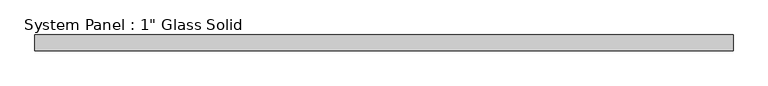
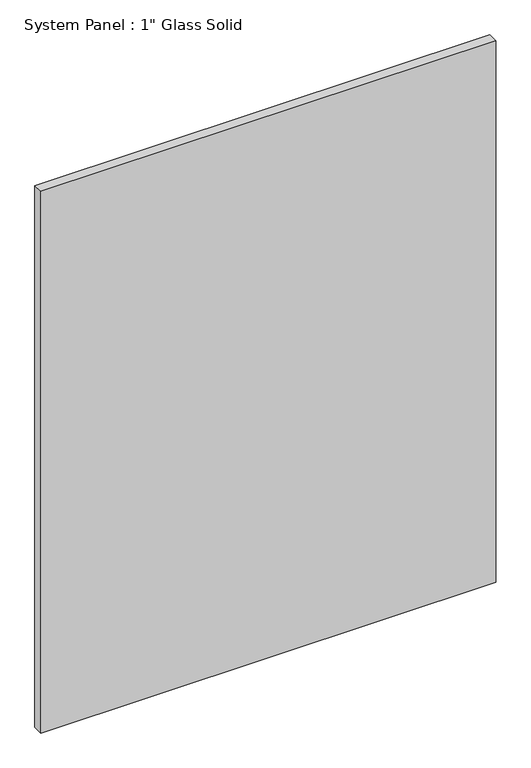
"""IFC4 building model written with IfcOpenShell, lengths in millimetres: plate geometry."""

from ifc_helpers import new_model, si_unit, origin, origin_with_axes, place, context, project, spatial, polyline, outline, extrude, source, transform, mapped, element, save


def plate_7444d977(model_context):
    return source(origin(), model_context, "Body", "SweptSolid", [
        extrude(outline(polyline([(561.3970691, -12.7), (-561.3970691, -12.7), (-561.3970691, 12.7), (561.3970691, 12.7), (561.3970691, -12.7)])), origin_with_axes(), (0.0, 0.0, 1.0), 1413.6241382),
    ])


if __name__ == "__main__":
    model = new_model("IFC4")
    model_context = context("Model", 3, world=origin())
    ifc_project = project(units=[si_unit("LENGTHUNIT", "METRE", prefix="MILLI")], contexts=[model_context])
    site = spatial("IfcSite", under=ifc_project)
    building = spatial("IfcBuilding", under=site)
    placement = place(None, origin())
    plate_shape = plate_7444d977(model_context)
    element("IfcPlate", 1, ObjectType="System Panel : 1\" Glass Solid", at=placement, inside=building, context=model_context, shape_type="MappedRepresentation", body=[
        mapped(plate_shape, transform((0.0, 0.0, 0.0), x_axis=(1.0, 0.0, 0.0), y_axis=(0.0, 1.0, 0.0), z_axis=(0.0, 0.0, 1.0))),
    ])
    save(model, "model.ifc")
